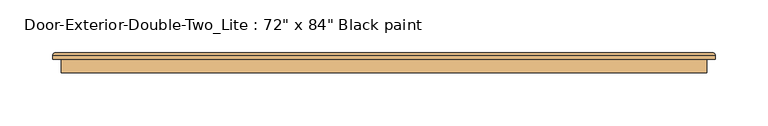
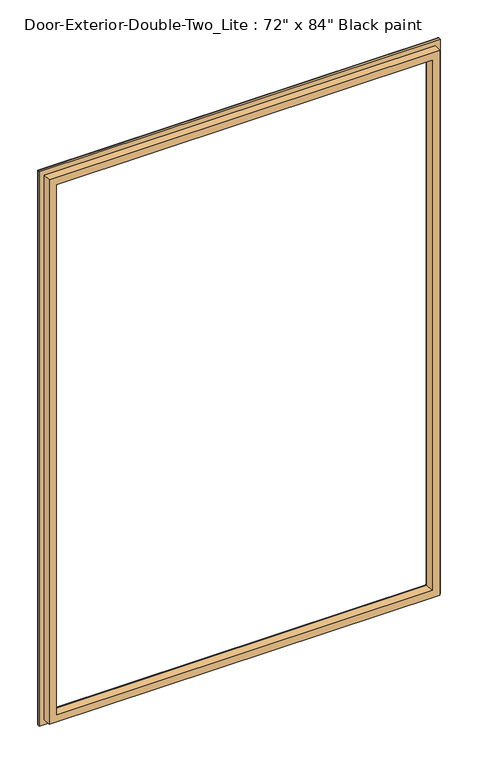
"""IFC4 building model written with IfcOpenShell, lengths in millimetres: door geometry."""

import ifcopenshell
import ifcopenshell.guid

model = None  # the IFC model being written
_history = None  # IfcOwnerHistory: only IFC2X3 demands one
_inside = {}  # id of a spatial element -> (the spatial element, [elements in it])
_under = {}  # id of a project, library or spatial element -> (it, [spatial elements below it])
_declared = {}  # id of a project -> (the project, [libraries it declares])
_typed = {}  # id of a type object -> (the type object, [elements of that type])
_made_of = {}  # id of a material, layer set ... -> (it, [elements and type objects made of it])


def new_model(schema):
    """Start an empty IFC model of exactly this schema.

    Asked for "IFC4X3", IfcOpenShell would pick the latest addendum, in which some entities
    have other attributes; the version numbers below select the first issue.
    IFC2X3 requires an IfcOwnerHistory on every rooted entity: one is made here for all.
    """
    global model, _history
    if schema == "IFC4X3":
        model = ifcopenshell.file(schema_version=(4, 3, 0, 0))
    else:
        model = ifcopenshell.file(schema=schema)
    _inside.clear()
    _under.clear()
    _declared.clear()
    _typed.clear()
    _made_of.clear()
    _history = None
    if model.schema == "IFC2X3":
        org = make("IfcOrganization", Name="unknown")
        user = make(
            "IfcPersonAndOrganization",
            ThePerson=make("IfcPerson", FamilyName="unknown"),
            TheOrganization=org,
        )
        app = make(
            "IfcApplication",
            ApplicationDeveloper=org,
            Version="unknown",
            ApplicationFullName="unknown",
            ApplicationIdentifier="unknown",
        )
        _history = make(
            "IfcOwnerHistory",
            OwningUser=user,
            OwningApplication=app,
            ChangeAction="ADDED",
            CreationDate=0,
        )
    return model


def make(cls, **values):
    """One entity of the class cls with the attributes given. An attribute that is None is left unset."""
    return model.create_entity(
        cls, **{name: value for name, value in values.items() if value is not None}
    )


def rooted(cls, **values):
    """An entity with a GlobalId (a new one), such as an element, a storey or a relation."""
    return make(cls, GlobalId=ifcopenshell.guid.new(), OwnerHistory=_history, **values)


def si_unit(unit_type, name, prefix=None):
    """IfcSIUnit, for example si_unit("LENGTHUNIT", "METRE", prefix="MILLI")."""
    return make("IfcSIUnit", UnitType=unit_type, Prefix=prefix, Name=name)


def assignment(units):
    """IfcUnitAssignment: the units of a project."""
    return None if units is None else make("IfcUnitAssignment", Units=units)


def point(xyz):
    """IfcCartesianPoint."""
    return None if xyz is None else make("IfcCartesianPoint", Coordinates=xyz)


def direction(xyz):
    """IfcDirection."""
    return None if xyz is None else make("IfcDirection", DirectionRatios=xyz)


def frame(location, z_axis=None, x_axis=None):
    """IfcAxis2Placement3D, a coordinate frame: its origin and axes. An axis left out is left unset."""
    return make(
        "IfcAxis2Placement3D",
        Location=point(location),
        Axis=direction(z_axis),
        RefDirection=direction(x_axis),
    )


def origin():
    """The frame at (0, 0, 0) with its axes left unset."""
    return frame((0.0, 0.0, 0.0))


def place(relative_to, where):
    """IfcLocalPlacement: puts the frame where relative to a parent placement (None: the world)."""
    return make(
        "IfcLocalPlacement", PlacementRelTo=relative_to, RelativePlacement=where
    )


def context(
    kind, dimensions, precision=None, world=None, true_north=None, identifier=None
):
    """IfcGeometricRepresentationContext, for example the 3D "Model" context."""
    return make(
        "IfcGeometricRepresentationContext",
        ContextIdentifier=identifier,
        ContextType=kind,
        CoordinateSpaceDimension=dimensions,
        Precision=precision,
        WorldCoordinateSystem=world,
        TrueNorth=true_north,
    )


def project(units=None, contexts=None):
    """IfcProject with its units and contexts."""
    return rooted(
        "IfcProject",
        Name="project",
        RepresentationContexts=contexts,
        UnitsInContext=assignment(units),
    )


def spatial(cls, under=None, at=None, **own):
    """A site, building, storey or space (cls), placed at a placement, below another one or the project."""
    s = rooted(cls, ObjectPlacement=at, **own)
    if under is not None:
        _under.setdefault(under.id(), (under, []))[1].append(s)
    return s


def ellipse_curve(where, semi_axis1, semi_axis2):
    """IfcEllipse in the frame where."""
    return make(
        "IfcEllipse", Position=where, SemiAxis1=semi_axis1, SemiAxis2=semi_axis2
    )


def shape(context_of_items, identifier, shape_type, items):
    """IfcShapeRepresentation: the items that make up one representation, for example the "Body"."""
    return make(
        "IfcShapeRepresentation",
        ContextOfItems=context_of_items,
        RepresentationIdentifier=identifier,
        RepresentationType=shape_type,
        Items=items,
    )


def source(mapping_origin, context_of_items, identifier, shape_type, items):
    """IfcRepresentationMap: a shape defined once, which mapped items show again and again."""
    return make(
        "IfcRepresentationMap",
        MappingOrigin=mapping_origin,
        MappedRepresentation=shape(context_of_items, identifier, shape_type, items),
    )


def transform(
    local_origin,
    x_axis=None,
    y_axis=None,
    z_axis=None,
    scale=None,
    scale2=None,
    scale3=None,
    uniform=True,
):
    """IfcCartesianTransformationOperator3D, or its non-uniform kind. x_axis, y_axis, z_axis: its Axis1, 2, 3."""
    if uniform:
        return make(
            "IfcCartesianTransformationOperator3D",
            Axis1=direction(x_axis),
            Axis2=direction(y_axis),
            LocalOrigin=point(local_origin),
            Scale=scale,
            Axis3=direction(z_axis),
        )
    return make(
        "IfcCartesianTransformationOperator3DnonUniform",
        Axis1=direction(x_axis),
        Axis2=direction(y_axis),
        LocalOrigin=point(local_origin),
        Scale=scale,
        Axis3=direction(z_axis),
        Scale2=scale2,
        Scale3=scale3,
    )


def mapped(mapping_source, mapping_target):
    """IfcMappedItem: shows the shape of a source again, moved by a transform."""
    return make(
        "IfcMappedItem", MappingSource=mapping_source, MappingTarget=mapping_target
    )


def made_of(thing, what):
    """Note that an element or type object is made of a material, layer set ...; save() writes the relation."""
    if what is not None:
        _made_of.setdefault(what.id(), (what, []))[1].append(thing)
    return thing


def element(
    cls,
    number,
    at=None,
    inside=None,
    cuts=None,
    type_object=None,
    material=None,
    context=None,
    identifier="Body",
    shape_type=None,
    held_by="IfcProductDefinitionShape",
    body=None,
    shapes=None,
    **own,
):
    """One element of the class cls, such as IfcWall. Its Tag is "e" and its number.

    at: its placement. inside: the storey or other place that contains it. cuts: it is an
    opening in that element (IfcRelVoidsElement). A single representation is given by context,
    identifier, shape_type and body (its items); several are given by shapes. held_by: the class
    of the entity that holds the representations. save() writes the other relations.
    """
    e = rooted(cls, Tag="e%d" % number, ObjectPlacement=at, **own)
    if body is not None:
        shapes = [shape(context, identifier, shape_type, body)]
    if shapes is not None:
        e.Representation = make(held_by, Representations=shapes)
    if inside is not None:
        _inside.setdefault(inside.id(), (inside, []))[1].append(e)
    if cuts is not None:
        rooted(
            "IfcRelVoidsElement", RelatingBuildingElement=cuts, RelatedOpeningElement=e
        )
    if type_object is not None:
        _typed.setdefault(type_object.id(), (type_object, []))[1].append(e)
    return made_of(e, material)


def aggregate(whole, parts):
    """IfcRelAggregates: a whole, such as a stair, and the parts it consists of."""
    return rooted("IfcRelAggregates", RelatingObject=whole, RelatedObjects=parts)


def save(model, path):
    """Write the relations noted so far, then the file.

    IfcRelAggregates (storeys below a building ...), IfcRelContainedInSpatialStructure (elements
    in a storey), IfcRelDefinesByType, IfcRelAssociatesMaterial and IfcRelDeclares: one each for
    every whole, place, type object, material and project.
    """
    for whole, parts in _under.values():
        aggregate(whole, parts)
    for where, things in _inside.values():
        rooted(
            "IfcRelContainedInSpatialStructure",
            RelatedElements=things,
            RelatingStructure=where,
        )
    for kind, things in _typed.values():
        rooted("IfcRelDefinesByType", RelatedObjects=things, RelatingType=kind)
    for what, things in _made_of.values():
        rooted("IfcRelAssociatesMaterial", RelatedObjects=things, RelatingMaterial=what)
    for by, libraries in _declared.values():
        rooted("IfcRelDeclares", RelatingContext=by, RelatedDefinitions=libraries)
    model.write(path)


def plane_surface(at):
    """IfcPlane: the flat surface through the origin of the frame at, square to its z axis."""
    return make("IfcPlane", Position=at)


def cylinder_surface(at, radius):
    """IfcCylindricalSurface: all points at the distance radius from the z axis of the frame at."""
    return make("IfcCylindricalSurface", Position=at, Radius=radius)


def advanced_brep(points, edges, surfaces, faces):
    """IfcAdvancedBrep: a solid bounded by faces that lie on surfaces and meet in shared edges.

    An edge is (start, end): straight between two places in points (the first is 0);
    or (start, end, curve); or (start, end, curve, False) where it runs against its curve.
    A face is (place in surfaces, loops), or (place, loops, False) where it looks against
    its surface's normal. A loop lists edges by number (the first is 1), with a minus sign
    where the edge is run from its end to its start. The first loop is the outer one.
    """
    corners = [point(p) for p in points]
    vertices = [make("IfcVertexPoint", VertexGeometry=c) for c in corners]
    made = []
    for start, end, *more in edges:
        made.append(
            make(
                "IfcEdgeCurve",
                EdgeStart=vertices[start],
                EdgeEnd=vertices[end],
                EdgeGeometry=more[0] if more else make("IfcPolyline", Points=[corners[start], corners[end]]),
                SameSense=more[1] if len(more) > 1 else True,
            )
        )
    hull = []
    for where, loops, *sense in faces:
        bounds = []
        for j, loop in enumerate(loops):
            ring = [make("IfcOrientedEdge", EdgeElement=made[abs(k) - 1], Orientation=k > 0) for k in loop]
            bounds.append(
                make(
                    "IfcFaceOuterBound" if j == 0 else "IfcFaceBound",
                    Bound=make("IfcEdgeLoop", EdgeList=ring),
                    Orientation=True,
                )
            )
        hull.append(make("IfcAdvancedFace", Bounds=bounds, FaceSurface=surfaces[where], SameSense=sense[0] if sense else True))
    return make("IfcAdvancedBrep", Outer=make("IfcClosedShell", CfsFaces=hull))


def door_a38c890e(model_context):
    return source(origin(), model_context, "Body", "AdvancedBrep", [
        advanced_brep(
        [(-762.0, -46.0375, 1117.6), (-762.0, -46.0375, 2016.125), (-762.0, -33.3375, 2016.125), (-762.0, -33.3375, 1117.6), (-750.0, -32.3375, 1129.6), (-750.0, -32.3375, 2004.125), (-750.0, -46.0375, 2004.125), (-750.0, -46.0375, 1129.6), (-755.0, -27.3375, 1124.6), (-755.0, -27.3375, 2009.125), (-770.0, -29.3375, 1109.6), (-770.0, -29.3375, 2024.125), (-768.0, -27.3375, 2022.125), (-768.0, -27.3375, 1111.6), (-770.0, -33.3375, 1109.6), (-770.0, -33.3375, 2024.125), (-152.4, -46.0375, 2016.125), (-152.4, -33.3375, 2016.125), (-164.4, -32.3375, 2004.125), (-164.4, -46.0375, 2004.125), (-159.4, -27.3375, 2009.125), (-144.4, -29.3375, 2024.125), (-146.4, -27.3375, 2022.125), (-144.4, -33.3375, 2024.125), (-152.4, -46.0375, 1117.6), (-152.4, -33.3375, 1117.6), (-164.4, -32.3375, 1129.6), (-164.4, -46.0375, 1129.6), (-159.4, -27.3375, 1124.6), (-144.4, -29.3375, 1109.6), (-146.4, -27.3375, 1111.6), (-144.4, -33.3375, 1109.6)],
        [
            (0, 1),
            (1, 2),
            (2, 3),
            (3, 0),
            (4, 5),
            (5, 6),
            (6, 7),
            (7, 4),
            (8, 9),
            (9, 5, ellipse_curve(frame((-755.0, -32.3375, 2009.125), z_axis=(-0.7071067811865475, 0.0, -0.7071067811865475), x_axis=(0.7071067811865474, 0.0, -0.7071067811865476)), 7.0710678, 5.0)),
            (4, 8, ellipse_curve(frame((-755.0, -32.3375, 1124.6), z_axis=(-0.7071067811865475, 0.0, 0.7071067811865475), x_axis=(-0.7071067811865474, 0.0, -0.7071067811865476)), 7.0710678, 5.0)),
            (10, 11),
            (11, 12, ellipse_curve(frame((-768.0, -29.3375, 2022.125), z_axis=(-0.7071067811865475, 0.0, -0.7071067811865475), x_axis=(0.7071067811865474, 0.0, -0.7071067811865476)), 2.8284271, 2.0)),
            (12, 13),
            (13, 10, ellipse_curve(frame((-768.0, -29.3375, 1111.6), z_axis=(-0.7071067811865475, 0.0, 0.7071067811865475), x_axis=(-0.7071067811865474, 0.0, -0.7071067811865476)), 2.8284271, 2.0)),
            (14, 15),
            (15, 11),
            (10, 14),
            (1, 16),
            (16, 17),
            (17, 2),
            (5, 18),
            (18, 19),
            (19, 6),
            (9, 20),
            (20, 18, ellipse_curve(frame((-159.4, -32.3375, 2009.125), z_axis=(-0.7071067811865475, 0.0, 0.7071067811865475), x_axis=(-0.7071067811865476, 0.0, -0.7071067811865474)), 7.0710678, 5.0)),
            (11, 21),
            (21, 22, ellipse_curve(frame((-146.4, -29.3375, 2022.125), z_axis=(-0.7071067811865475, 0.0, 0.7071067811865475), x_axis=(-0.7071067811865476, 0.0, -0.7071067811865474)), 2.8284271, 2.0)),
            (22, 12),
            (15, 23),
            (23, 21),
            (16, 24),
            (24, 25),
            (25, 17),
            (18, 26),
            (26, 27),
            (27, 19),
            (20, 28),
            (28, 26, ellipse_curve(frame((-159.4, -32.3375, 1124.6), z_axis=(0.7071067811865475, 0.0, 0.7071067811865475), x_axis=(-0.7071067811865474, 0.0, 0.7071067811865476)), 7.0710678, 5.0)),
            (21, 29),
            (29, 30, ellipse_curve(frame((-146.4, -29.3375, 1111.6), z_axis=(0.7071067811865475, 0.0, 0.7071067811865475), x_axis=(-0.7071067811865474, 0.0, 0.7071067811865476)), 2.8284271, 2.0)),
            (30, 22),
            (23, 31),
            (31, 29),
            (14, 31),
            (25, 3),
            (24, 0),
            (27, 7),
            (26, 4),
            (28, 8),
            (30, 13),
            (29, 10),
        ],
        [
            plane_surface(frame((-762.0, -33.3375, 1117.6), z_axis=(-1.0, 0.0, 0.0), x_axis=(0.0, 0.0, 1.0))),
            plane_surface(frame((-750.0, -46.0375, 1129.6), z_axis=(1.0, 0.0, 0.0), x_axis=(0.0, 0.0, 1.0))),
            cylinder_surface(frame((-755.0, -32.3375, 1117.6), z_axis=(0.0, 0.0, -1.0), x_axis=(-1.0, 0.0, 0.0)), 5.0),
            cylinder_surface(frame((-768.0, -29.3375, 1117.6), z_axis=(0.0, 0.0, -1.0), x_axis=(-1.0, 0.0, 0.0)), 2.0),
            plane_surface(frame((-770.0, -29.3375, 1109.6), z_axis=(-1.0, 0.0, 0.0), x_axis=(0.0, 0.0, 1.0))),
            plane_surface(frame((-762.0, -33.3375, 2016.125), z_axis=(0.0, 0.0, 1.0), x_axis=(1.0, 0.0, 0.0))),
            plane_surface(frame((-750.0, -46.0375, 2004.125), z_axis=(0.0, 0.0, -1.0), x_axis=(1.0, 0.0, 0.0))),
            cylinder_surface(frame((-762.0, -32.3375, 2009.125), z_axis=(-1.0, 0.0, 0.0), x_axis=(0.0, 0.0, 1.0)), 5.0),
            cylinder_surface(frame((-762.0, -29.3375, 2022.125), z_axis=(-1.0, 0.0, 0.0), x_axis=(0.0, 0.0, 1.0)), 2.0),
            plane_surface(frame((-770.0, -29.3375, 2024.125), z_axis=(0.0, 0.0, 1.0), x_axis=(1.0, 0.0, 0.0))),
            plane_surface(frame((-152.4, -33.3375, 2016.125), z_axis=(1.0, 0.0, 0.0), x_axis=(0.0, 0.0, -1.0))),
            plane_surface(frame((-164.4, -46.0375, 2004.125), z_axis=(-1.0, 0.0, 0.0), x_axis=(0.0, 0.0, -1.0))),
            cylinder_surface(frame((-159.4, -32.3375, 2016.125), z_axis=(0.0, 0.0, 1.0), x_axis=(1.0, 0.0, 0.0)), 5.0),
            cylinder_surface(frame((-146.4, -29.3375, 2016.125), z_axis=(0.0, 0.0, 1.0), x_axis=(1.0, 0.0, 0.0)), 2.0),
            plane_surface(frame((-144.4, -29.3375, 2024.125), z_axis=(1.0, 0.0, 0.0), x_axis=(0.0, 0.0, -1.0))),
            plane_surface(frame((-144.4, -33.3375, 1109.6), z_axis=(0.0, -1.0, 0.0), x_axis=(-1.0, 0.0, 0.0))),
            plane_surface(frame((-152.4, -33.3375, 1117.6), z_axis=(0.0, 0.0, -1.0), x_axis=(-1.0, 0.0, 0.0))),
            plane_surface(frame((-152.4, -46.0375, 1117.6), z_axis=(0.0, -1.0, 0.0), x_axis=(-1.0, 0.0, 0.0))),
            plane_surface(frame((-164.4, -46.0375, 1129.6), z_axis=(0.0, 0.0, 1.0), x_axis=(-1.0, 0.0, 0.0))),
            cylinder_surface(frame((-152.4, -32.3375, 1124.6), z_axis=(1.0, 0.0, 0.0), x_axis=(0.0, 0.0, -1.0)), 5.0),
            plane_surface(frame((-159.4, -27.3375, 1124.6), z_axis=(0.0, 1.0, 0.0), x_axis=(-1.0, 0.0, 0.0))),
            cylinder_surface(frame((-152.4, -29.3375, 1111.6), z_axis=(1.0, 0.0, 0.0), x_axis=(0.0, 0.0, -1.0)), 2.0),
            plane_surface(frame((-144.4, -29.3375, 1109.6), z_axis=(0.0, 0.0, -1.0), x_axis=(-1.0, 0.0, 0.0))),
        ],
        [
            (0, [[1, 2, 3, 4]]),
            (1, [[5, 6, 7, 8]]),
            (2, [[9, 10, -5, 11]]),
            (3, [[12, 13, 14, 15]]),
            (4, [[16, 17, -12, 18]]),
            (5, [[19, 20, 21, -2]]),
            (6, [[22, 23, 24, -6]]),
            (7, [[25, 26, -22, -10]]),
            (8, [[27, 28, 29, -13]]),
            (9, [[30, 31, -27, -17]]),
            (10, [[32, 33, 34, -20]]),
            (11, [[35, 36, 37, -23]]),
            (12, [[38, 39, -35, -26]]),
            (13, [[40, 41, 42, -28]]),
            (14, [[43, 44, -40, -31]]),
            (15, [[-16, 45, -43, -30], [-3, -21, -34, 46]]),
            (16, [[47, -4, -46, -33]]),
            (17, [[-1, -47, -32, -19], [-7, -24, -37, 48]]),
            (18, [[49, -8, -48, -36]]),
            (19, [[50, -11, -49, -39]]),
            (20, [[-14, -29, -42, 51], [-9, -50, -38, -25]]),
            (21, [[52, -15, -51, -41]]),
            (22, [[-45, -18, -52, -44]]),
        ],
    ),
    ])


if __name__ == "__main__":
    model = new_model("IFC4")
    model_context = context("Model", 3, world=origin())
    ifc_project = project(units=[si_unit("LENGTHUNIT", "METRE", prefix="MILLI")], contexts=[model_context])
    site = spatial("IfcSite", under=ifc_project)
    building = spatial("IfcBuilding", under=site)
    placement = place(None, origin())
    door_shape = door_a38c890e(model_context)
    element("IfcDoor", 1, ObjectType="Door-Exterior-Double-Two_Lite : 72\" x 84\" Black paint", at=placement, inside=building, context=model_context, shape_type="MappedRepresentation", body=[
        mapped(door_shape, transform((0.0, 0.0, 0.0), x_axis=(1.0, 0.0, 0.0), y_axis=(0.0, 1.0, 0.0), z_axis=(0.0, 0.0, 1.0))),
    ])
    save(model, "model.ifc")
